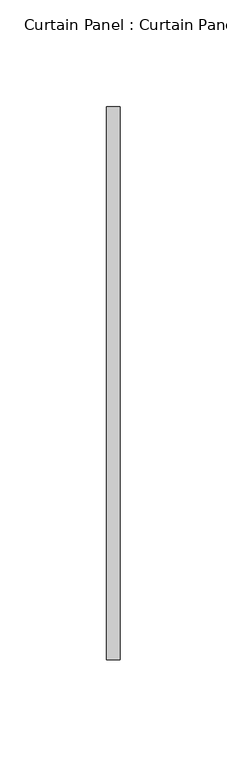
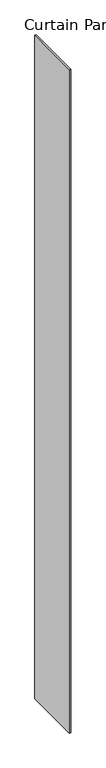
"""IFC4 building model written with IfcOpenShell, lengths in millimetres: plate geometry, Curtain Panel : Curtain Panel."""

from ifc_helpers import new_model, si_unit, origin, origin_with_axes, place, context, project, spatial, polyline, outline, extrude, source, transform, mapped, element, save


def curtain_panel_curtain_panel_37b54939(model_context):
    return source(origin(), model_context, "Body", "SweptSolid", [
        extrude(outline(polyline([(-149775.6522406, 7764.512707), (-149775.6522406, 8023.275207), (-149769.3022406, 8023.275207), (-149769.3022406, 7764.512707), (-149775.6522406, 7764.512707)])), origin_with_axes(), (0.0, 0.0, 1.0), 3048.0),
    ])


if __name__ == "__main__":
    model = new_model("IFC4")
    model_context = context("Model", 3, world=origin())
    ifc_project = project(units=[si_unit("LENGTHUNIT", "METRE", prefix="MILLI")], contexts=[model_context])
    site = spatial("IfcSite", under=ifc_project)
    building = spatial("IfcBuilding", under=site)
    placement = place(None, origin())
    curtain_panel_curtain_panel_shape = curtain_panel_curtain_panel_37b54939(model_context)
    element("IfcPlate", 1, ObjectType="Curtain Panel : Curtain Panel", at=placement, inside=building, context=model_context, shape_type="MappedRepresentation", body=[
        mapped(curtain_panel_curtain_panel_shape, transform((0.0, 0.0, 0.0), x_axis=(1.0, 0.0, 0.0), y_axis=(0.0, 1.0, 0.0), z_axis=(0.0, 0.0, 1.0))),
    ])
    save(model, "model.ifc")
